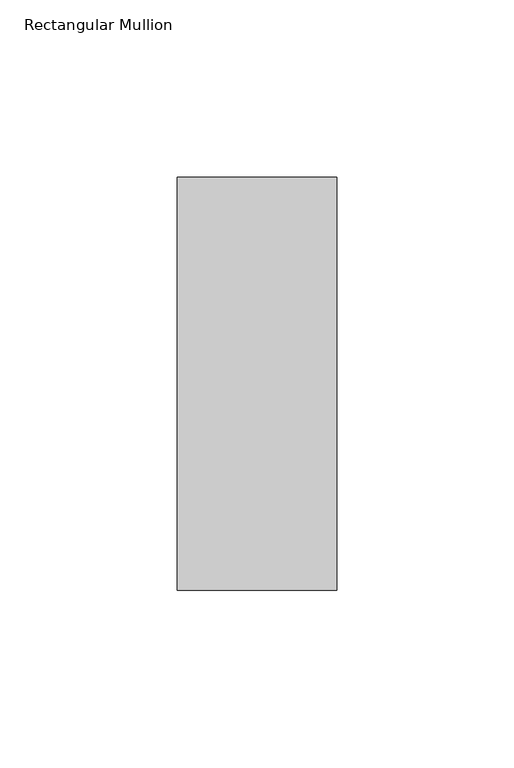
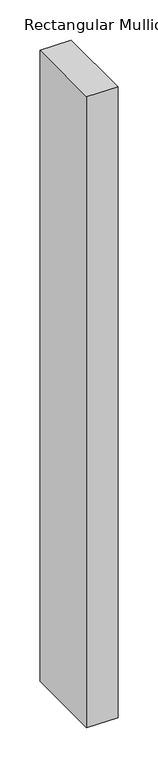
"""IFC4 building model written with IfcOpenShell, lengths in millimetres: member geometry, Rectangular Mullion."""

from ifc_helpers import new_model, si_unit, frame, origin, place, context, project, spatial, polyline, outline, extrude, source, transform, mapped, element, save


def rectangular_mullion_01d64edc(model_context):
    return source(origin(), model_context, "Body", "SweptSolid", [
        extrude(outline(polyline([(-45.0453125, 73.875), (0.0, 73.875), (0.0, -42.8257813), (-45.0453125, -42.8257813), (-45.0453125, 73.875)])), frame((0.0, 0.0, -960.762445), z_axis=(0.0, 0.0, 1.0), x_axis=(1.0, 0.0, 0.0)), (0.0, 0.0, 1.0), 960.762445),
    ])


if __name__ == "__main__":
    model = new_model("IFC4")
    model_context = context("Model", 3, world=origin())
    ifc_project = project(units=[si_unit("LENGTHUNIT", "METRE", prefix="MILLI")], contexts=[model_context])
    site = spatial("IfcSite", under=ifc_project)
    building = spatial("IfcBuilding", under=site)
    placement = place(None, origin())
    rectangular_mullion_shape = rectangular_mullion_01d64edc(model_context)
    element("IfcMember", 1, ObjectType="Rectangular Mullion", at=placement, inside=building, context=model_context, shape_type="MappedRepresentation", body=[
        mapped(rectangular_mullion_shape, transform((0.0, 0.0, 0.0), x_axis=(1.0, 0.0, 0.0), y_axis=(0.0, 1.0, 0.0), z_axis=(0.0, 0.0, 1.0))),
    ])
    save(model, "model.ifc")
